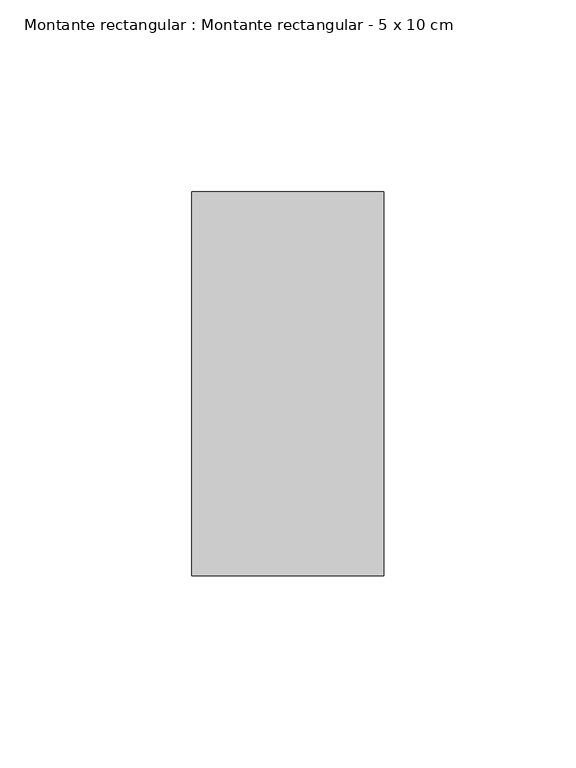
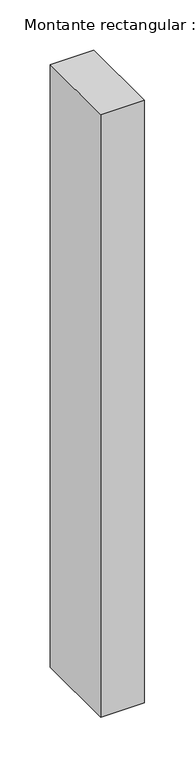
"""IFC4 building model written with IfcOpenShell, lengths in millimetres: member geometry, Montante rectangular : Montante rectangular - 5 x 10 cm."""

from ifc_helpers import new_model, si_unit, frame, origin, place, context, project, spatial, polyline, outline, extrude, source, transform, mapped, element, save


def montante_rectangular_montante_rectangular_5_x_10_cm_964f81fb(model_context):
    return source(origin(), model_context, "Body", "SweptSolid", [
        extrude(outline(polyline([(-50.0, 50.0), (0.0, 50.0), (0.0, -50.0), (-50.0, -50.0), (-50.0, 50.0)])), frame((0.0, 0.0, -731.3333333), z_axis=(0.0, 0.0, 1.0), x_axis=(1.0, 0.0, 0.0)), (0.0, 0.0, 1.0), 731.3333333),
    ])


if __name__ == "__main__":
    model = new_model("IFC4")
    model_context = context("Model", 3, world=origin())
    ifc_project = project(units=[si_unit("LENGTHUNIT", "METRE", prefix="MILLI")], contexts=[model_context])
    site = spatial("IfcSite", under=ifc_project)
    building = spatial("IfcBuilding", under=site)
    placement = place(None, origin())
    montante_rectangular_montante_rectangular_5_x_10_cm_shape = montante_rectangular_montante_rectangular_5_x_10_cm_964f81fb(model_context)
    element("IfcMember", 1, ObjectType="Montante rectangular : Montante rectangular - 5 x 10 cm", at=placement, inside=building, context=model_context, shape_type="MappedRepresentation", body=[
        mapped(montante_rectangular_montante_rectangular_5_x_10_cm_shape, transform((0.0, 0.0, 0.0), x_axis=(1.0, 0.0, 0.0), y_axis=(0.0, 1.0, 0.0), z_axis=(0.0, 0.0, 1.0))),
    ])
    save(model, "model.ifc")
